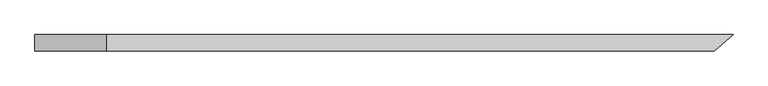
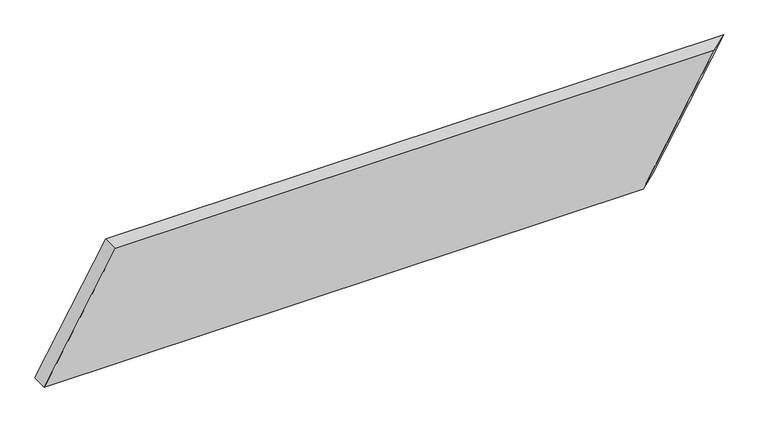
"""IFC4 building model written with IfcOpenShell, lengths in millimetres: beam geometry."""

from ifc_helpers import new_model, si_unit, origin, place, context, project, spatial, faceted_brep, source, transform, mapped, element, save


def beam_533b5719(model_context):
    return source(origin(), model_context, "Body", "Brep", [
        faceted_brep([(774.8858647, -19.05, 142.875), (-630.2526195, -19.05, 142.875), (-796.9401195, -19.05, -142.875), (608.1983647, -19.05, -142.875), (818.9943744, 19.05, 142.875), (652.3068744, 19.05, -142.875), (-796.9401195, 19.05, -142.875), (-630.2526195, 19.05, 142.875)], [[[0, 1, 2, 3]], [[4, 5, 6, 7]], [[5, 4, 0, 3]], [[6, 5, 3, 2]], [[7, 6, 2, 1]], [[4, 7, 1, 0]]]),
    ])


if __name__ == "__main__":
    model = new_model("IFC4")
    model_context = context("Model", 3, world=origin())
    ifc_project = project(units=[si_unit("LENGTHUNIT", "METRE", prefix="MILLI")], contexts=[model_context])
    site = spatial("IfcSite", under=ifc_project)
    building = spatial("IfcBuilding", under=site)
    placement = place(None, origin())
    beam_shape = beam_533b5719(model_context)
    element("IfcBeam", 1, at=placement, inside=building, context=model_context, shape_type="MappedRepresentation", body=[
        mapped(beam_shape, transform((0.0, 0.0, 0.0), x_axis=(1.0, 0.0, 0.0), y_axis=(0.0, 1.0, 0.0), z_axis=(0.0, 0.0, 1.0))),
    ])
    save(model, "model.ifc")
